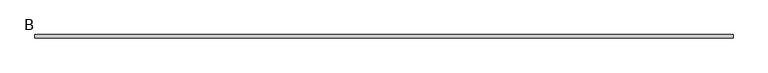
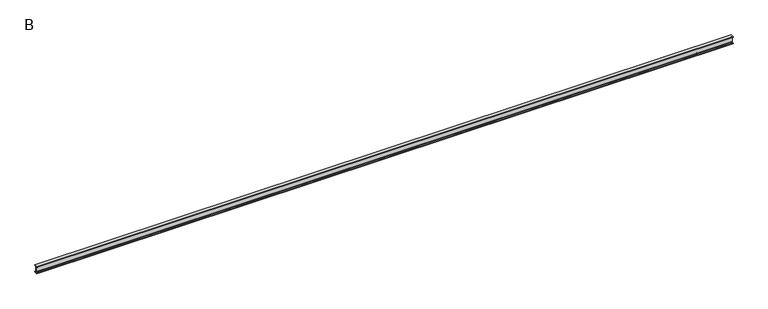
"""IFC4 building model written with IfcOpenShell, lengths in millimetres: beam geometry, B."""

from ifc_helpers import new_model, si_unit, point, frame, frame_2d, origin, place, context, project, spatial, polyline, circle_curve, trimmed, segment, composite_curve, outline, extrude, source, transform, mapped, element, save


def b_d275a356(model_context):
    return source(origin(), model_context, "Body", "SweptSolid", [
        extrude(outline(composite_curve([segment(polyline([(25.0, 50.0), (25.0, 48.5034153)]), True, "CONTINUOUS"), segment(trimmed(circle_curve(frame_2d((20.5, 48.5034153)), 4.5), [point((25.0, 48.5034153))], [point((21.126279, 44.047209))], False, "CARTESIAN"), True, "CONTINUOUS"), segment(polyline([(21.126279, 44.047209), (10.0974421, 42.497207)]), True, "CONTINUOUS"), segment(trimmed(circle_curve(frame_2d((11.35, 33.5847944)), 9.0), [point((10.0974421, 42.497207))], [point((2.35, 33.5847944))], True, "CARTESIAN"), True, "CONTINUOUS"), segment(polyline([(2.35, 33.5847944), (2.35, -33.5847944)]), True, "CONTINUOUS"), segment(trimmed(circle_curve(frame_2d((11.35, -33.5847944)), 9.0), [point((2.35, -33.5847944))], [point((10.0974421, -42.497207))], True, "CARTESIAN"), True, "CONTINUOUS"), segment(polyline([(10.0974421, -42.497207), (21.126279, -44.047209)]), True, "CONTINUOUS"), segment(trimmed(circle_curve(frame_2d((20.5, -48.5034153)), 4.5), [point((21.126279, -44.047209))], [point((25.0, -48.5034153))], False, "CARTESIAN"), True, "CONTINUOUS"), segment(polyline([(25.0, -48.5034153), (25.0, -50.0), (-25.0, -50.0), (-25.0, -48.5034153)]), True, "CONTINUOUS"), segment(trimmed(circle_curve(frame_2d((-20.5, -48.5034153)), 4.5), [point((-25.0, -48.5034153))], [point((-21.126279, -44.047209))], False, "CARTESIAN"), True, "CONTINUOUS"), segment(polyline([(-21.126279, -44.047209), (-10.0974421, -42.497207)]), True, "CONTINUOUS"), segment(trimmed(circle_curve(frame_2d((-11.35, -33.5847944)), 9.0), [point((-10.0974421, -42.497207))], [point((-2.35, -33.5847944))], True, "CARTESIAN"), True, "CONTINUOUS"), segment(polyline([(-2.35, -33.5847944), (-2.35, 33.5847944)]), True, "CONTINUOUS"), segment(trimmed(circle_curve(frame_2d((-11.35, 33.5847944)), 9.0), [point((-2.35, 33.5847944))], [point((-10.0974421, 42.497207))], True, "CARTESIAN"), True, "CONTINUOUS"), segment(polyline([(-10.0974421, 42.497207), (-21.126279, 44.047209)]), True, "CONTINUOUS"), segment(trimmed(circle_curve(frame_2d((-20.5, 48.5034153)), 4.5), [point((-21.126279, 44.047209))], [point((-25.0, 48.5034153))], False, "CARTESIAN"), True, "CONTINUOUS"), segment(polyline([(-25.0, 48.5034153), (-25.0, 50.0), (25.0, 50.0)]), True, "CONTINUOUS")], self_intersect=False)), frame((-4962.3, 0.0, 0.0), z_axis=(1.0, 0.0, 0.0), x_axis=(0.0, 1.0, 0.0)), (0.0, 0.0, 1.0), 9924.6),
    ])


if __name__ == "__main__":
    model = new_model("IFC4")
    model_context = context("Model", 3, world=origin())
    ifc_project = project(units=[si_unit("LENGTHUNIT", "METRE", prefix="MILLI")], contexts=[model_context])
    site = spatial("IfcSite", under=ifc_project)
    building = spatial("IfcBuilding", under=site)
    placement = place(None, origin())
    b_shape = b_d275a356(model_context)
    element("IfcBeam", 1, ObjectType="B", at=placement, inside=building, context=model_context, shape_type="MappedRepresentation", body=[
        mapped(b_shape, transform((0.0, 0.0, 0.0), x_axis=(1.0, 0.0, 0.0), y_axis=(0.0, 1.0, 0.0), z_axis=(0.0, 0.0, 1.0))),
    ])
    save(model, "model.ifc")
